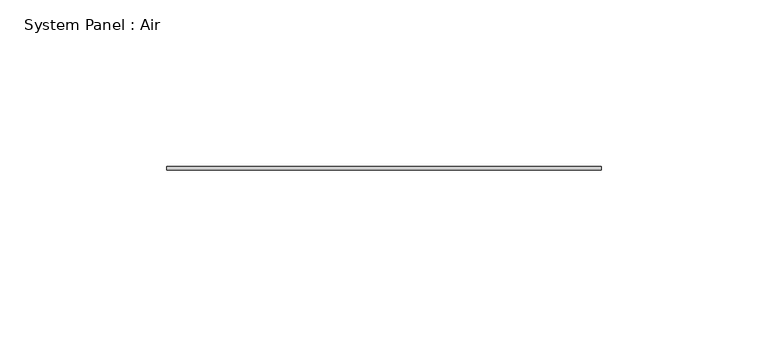
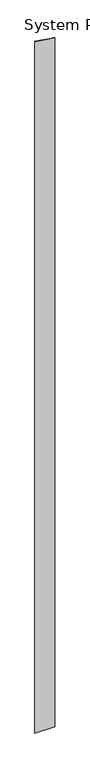
"""IFC4 building model written with IfcOpenShell, lengths in millimetres: plate geometry, System Panel : Air."""

from ifc_helpers import new_model, si_unit, frame, origin, place, context, project, spatial, polyline, outline, extrude, source, transform, mapped, element, save


def system_panel_air_193951b0(model_context):
    return source(origin(), model_context, "Body", "SweptSolid", [
        extrude(outline(polyline([(0.0, -65.0), (0.0, 65.0), (4807.6158618, 65.0), (4826.8552116, -65.0), (0.0, -65.0)])), frame((0.0, 36.5, 0.0), z_axis=(0.0, 1.0, 0.0), x_axis=(0.0, 0.0, 1.0)), (0.0, 0.0, 1.0), 1.0),
    ])


if __name__ == "__main__":
    model = new_model("IFC4")
    model_context = context("Model", 3, world=origin())
    ifc_project = project(units=[si_unit("LENGTHUNIT", "METRE", prefix="MILLI")], contexts=[model_context])
    site = spatial("IfcSite", under=ifc_project)
    building = spatial("IfcBuilding", under=site)
    placement = place(None, origin())
    system_panel_air_shape = system_panel_air_193951b0(model_context)
    element("IfcPlate", 1, ObjectType="System Panel : Air", at=placement, inside=building, context=model_context, shape_type="MappedRepresentation", body=[
        mapped(system_panel_air_shape, transform((0.0, 0.0, 0.0), x_axis=(1.0, 0.0, 0.0), y_axis=(0.0, 1.0, 0.0), z_axis=(0.0, 0.0, 1.0))),
    ])
    save(model, "model.ifc")
